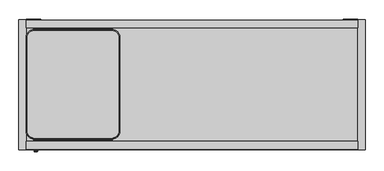
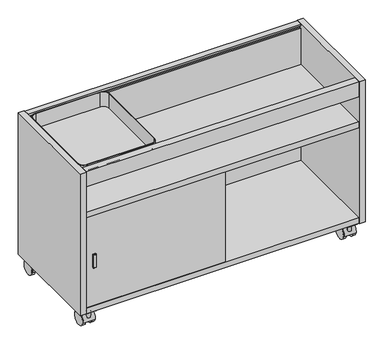
"""IFC4 building model written with IfcOpenShell, lengths in millimetres: furniture geometry."""

from ifc_helpers import new_model, si_unit, point, frame, frame_2d, origin, place, context, project, spatial, polyline, circle_curve, trimmed, segment, composite_curve, outline, extrude, source, transform, mapped, element, save
from ifc_brep_helpers import plane_surface, cylinder_surface, revolved_surface, spline_surface, advanced_brep


def furniture_2cf10aa2(model_context):
    return source(origin(), model_context, "Body", "SolidModel", [
        advanced_brep(
        [(40.7797005, -38.1442138, 490.3901787), (23.5585005, -55.3654138, 490.3901787), (23.5585005, -303.4726138, 490.3901787), (40.7797005, -320.6938138, 490.3901787), (40.7797005, -323.7241709, 490.3901787), (247.0023005, -323.7241709, 490.3901787), (247.0023005, -320.6938138, 490.3901787), (264.2235005, -303.4726138, 490.3901787), (264.2235005, -55.3654138, 490.3901787), (247.0023005, -38.1442138, 490.3901787), (247.0023005, -35.8405709, 490.3901787), (40.7797005, -35.8405709, 490.3901787), (40.7797005, -320.6938138, 489.6027787), (23.5585005, -303.4726138, 489.6027787), (23.5585005, -55.3654138, 489.6027787), (40.7797005, -38.1442138, 489.6027787), (40.7797005, -35.0531709, 489.6027787), (247.0023005, -35.0531709, 489.6027787), (247.0023005, -38.1442138, 489.6027787), (264.2235005, -55.3654138, 489.6027787), (264.2235005, -303.4726138, 489.6027787), (247.0023005, -320.6938138, 489.6027787), (247.0023005, -324.5115709, 489.6027787), (40.7797005, -324.5115709, 489.6027787), (247.0023005, -28.8509012, 532.5033787), (247.0023005, -32.1575709, 532.5033787), (247.0023005, -32.1575709, 531.7153825), (247.0023005, -29.6429709, 531.7153825), (247.0023005, -29.1349709, 531.2073825), (247.0023005, -29.1349709, 528.211375), (247.0023005, -29.6429709, 527.703375), (247.0023005, -32.0252443, 527.703375), (247.0023005, -32.9051262, 527.195375), (247.0023005, -35.8405709, 522.1110356), (247.0023005, -35.0531709, 521.9000524), (247.0023005, -32.1575709, 526.9153787), (247.0023005, -28.8555709, 526.9153787), (247.0023005, -28.3475709, 527.4233787), (247.0023005, -28.3475709, 532.0000483), (247.0023005, -323.7241709, 522.1110356), (247.0023005, -326.6596155, 527.195375), (247.0023005, -327.5394974, 527.703375), (247.0023005, -329.9217709, 527.703375), (247.0023005, -330.4297709, 528.211375), (247.0023005, -330.4297709, 531.2073825), (247.0023005, -329.9217709, 531.7153825), (247.0023005, -327.4071709, 531.7153825), (247.0023005, -327.4071709, 532.5033787), (247.0023005, -330.7138405, 532.5033787), (247.0023005, -331.2171709, 532.0000483), (247.0023005, -331.2171709, 527.4233787), (247.0023005, -330.7091709, 526.9153787), (247.0023005, -327.4071709, 526.9153787), (247.0023005, -324.5115709, 521.9000524), (40.7797005, -28.8509012, 532.5033787), (40.7797005, -28.3475709, 532.0000483), (40.7797005, -28.3475709, 527.4233787), (40.7797005, -28.8555709, 526.9153787), (40.7797005, -32.1575709, 526.9153787), (40.7797005, -35.0531709, 521.9000524), (40.7797005, -35.8405709, 522.1110356), (40.7797005, -32.9051262, 527.195375), (40.7797005, -32.0252443, 527.703375), (40.7797005, -29.6429709, 527.703375), (40.7797005, -29.1349709, 528.211375), (40.7797005, -29.1349709, 531.2073825), (40.7797005, -29.6429709, 531.7153825), (40.7797005, -32.1575709, 531.7153825), (40.7797005, -32.1575709, 532.5033787), (40.7797005, -324.5115709, 521.9000524), (40.7797005, -327.4071709, 526.9153787), (40.7797005, -330.7091709, 526.9153787), (40.7797005, -331.2171709, 527.4233787), (40.7797005, -331.2171709, 532.0000483), (40.7797005, -330.7138405, 532.5033787), (40.7797005, -327.4071709, 532.5033787), (40.7797005, -327.4071709, 531.7153825), (40.7797005, -329.9217709, 531.7153825), (40.7797005, -330.4297709, 531.2073825), (40.7797005, -330.4297709, 528.211375), (40.7797005, -329.9217709, 527.703375), (40.7797005, -327.5394974, 527.703375), (40.7797005, -326.6596155, 527.195375), (40.7797005, -323.7241709, 522.1110356)],
        [
            (0, 1, circle_curve(frame((40.7797005, -55.3654138, 490.3901787), z_axis=(0.0, 0.0, 1.0), x_axis=(1.0, 0.0, 0.0)), 17.2212)),
            (1, 2),
            (2, 3, circle_curve(frame((40.7797005, -303.4726138, 490.3901787), z_axis=(0.0, 0.0, 1.0), x_axis=(1.0, 0.0, 0.0)), 17.2212)),
            (3, 4),
            (4, 5),
            (5, 6),
            (6, 7, circle_curve(frame((247.0023005, -303.4726138, 490.3901787), z_axis=(0.0, 0.0, 1.0), x_axis=(1.0, 0.0, 0.0)), 17.2212)),
            (7, 8),
            (8, 9, circle_curve(frame((247.0023005, -55.3654138, 490.3901787), z_axis=(0.0, 0.0, 1.0), x_axis=(1.0, 0.0, 0.0)), 17.2212)),
            (9, 10),
            (10, 11),
            (11, 0),
            (12, 13, circle_curve(frame((40.7797005, -303.4726138, 489.6027787), z_axis=(0.0, 0.0, -1.0), x_axis=(1.0, 0.0, 0.0)), 17.2212)),
            (13, 14),
            (14, 15, circle_curve(frame((40.7797005, -55.3654138, 489.6027787), z_axis=(0.0, 0.0, -1.0), x_axis=(1.0, 0.0, 0.0)), 17.2212)),
            (15, 16),
            (16, 17),
            (17, 18),
            (18, 19, circle_curve(frame((247.0023005, -55.3654138, 489.6027787), z_axis=(0.0, 0.0, -1.0), x_axis=(1.0, 0.0, 0.0)), 17.2212)),
            (19, 20),
            (20, 21, circle_curve(frame((247.0023005, -303.4726138, 489.6027787), z_axis=(0.0, 0.0, -1.0), x_axis=(1.0, 0.0, 0.0)), 17.2212)),
            (21, 22),
            (22, 23),
            (23, 12),
            (0, 15),
            (14, 1),
            (13, 2),
            (12, 3),
            (6, 21),
            (20, 7),
            (19, 8),
            (18, 9),
            (24, 25),
            (25, 26),
            (26, 27),
            (27, 28, circle_curve(frame((247.0023005, -29.6429709, 531.2073825), z_axis=(-1.0, 0.0, 0.0), x_axis=(0.0, 1.0, 0.0)), 0.508)),
            (28, 29),
            (29, 30, circle_curve(frame((247.0023005, -29.6429709, 528.211375), z_axis=(-1.0, 0.0, 0.0), x_axis=(0.0, 1.0, 0.0)), 0.508)),
            (30, 31),
            (31, 32, circle_curve(frame((247.0023005, -32.0252443, 526.687375), z_axis=(1.0, 0.0, 0.0), x_axis=(0.0, 1.0, 0.0)), 1.016)),
            (32, 33),
            (33, 10),
            (17, 34),
            (34, 35),
            (35, 36),
            (36, 37, circle_curve(frame((247.0023005, -28.8555709, 527.4233787), z_axis=(1.0, 0.0, 0.0), x_axis=(0.0, 1.0, 0.0)), 0.508)),
            (37, 38),
            (38, 24, circle_curve(frame((247.0023005, -28.8509012, 532.0000483), z_axis=(1.0, 0.0, 0.0), x_axis=(0.0, 1.0, 0.0)), 0.5033304)),
            (5, 39),
            (39, 40),
            (40, 41, circle_curve(frame((247.0023005, -327.5394974, 526.687375), z_axis=(1.0, 0.0, 0.0), x_axis=(0.0, 1.0, 0.0)), 1.016)),
            (41, 42),
            (42, 43, circle_curve(frame((247.0023005, -329.9217709, 528.211375), z_axis=(-1.0, 0.0, 0.0), x_axis=(0.0, 1.0, 0.0)), 0.508)),
            (43, 44),
            (44, 45, circle_curve(frame((247.0023005, -329.9217709, 531.2073825), z_axis=(-1.0, 0.0, 0.0), x_axis=(0.0, 1.0, 0.0)), 0.508)),
            (45, 46),
            (46, 47),
            (47, 48),
            (48, 49, circle_curve(frame((247.0023005, -330.7138405, 532.0000483), z_axis=(1.0, 0.0, 0.0), x_axis=(0.0, 1.0, 0.0)), 0.5033304)),
            (49, 50),
            (50, 51, circle_curve(frame((247.0023005, -330.7091709, 527.4233787), z_axis=(1.0, 0.0, 0.0), x_axis=(0.0, 1.0, 0.0)), 0.508)),
            (51, 52),
            (52, 53),
            (53, 22),
            (54, 55, circle_curve(frame((40.7797005, -28.8509012, 532.0000483), z_axis=(-1.0, 0.0, 0.0), x_axis=(0.0, 1.0, 0.0)), 0.5033304)),
            (55, 56),
            (56, 57, circle_curve(frame((40.7797005, -28.8555709, 527.4233787), z_axis=(-1.0, 0.0, 0.0), x_axis=(0.0, 1.0, 0.0)), 0.508)),
            (57, 58),
            (58, 59),
            (59, 16),
            (11, 60),
            (60, 61),
            (61, 62, circle_curve(frame((40.7797005, -32.0252443, 526.687375), z_axis=(-1.0, 0.0, 0.0), x_axis=(0.0, 1.0, 0.0)), 1.016)),
            (62, 63),
            (63, 64, circle_curve(frame((40.7797005, -29.6429709, 528.211375), z_axis=(1.0, 0.0, 0.0), x_axis=(0.0, 1.0, 0.0)), 0.508)),
            (64, 65),
            (65, 66, circle_curve(frame((40.7797005, -29.6429709, 531.2073825), z_axis=(1.0, 0.0, 0.0), x_axis=(0.0, 1.0, 0.0)), 0.508)),
            (66, 67),
            (67, 68),
            (68, 54),
            (23, 69),
            (69, 70),
            (70, 71),
            (71, 72, circle_curve(frame((40.7797005, -330.7091709, 527.4233787), z_axis=(-1.0, 0.0, 0.0), x_axis=(0.0, 1.0, 0.0)), 0.508)),
            (72, 73),
            (73, 74, circle_curve(frame((40.7797005, -330.7138405, 532.0000483), z_axis=(-1.0, 0.0, 0.0), x_axis=(0.0, 1.0, 0.0)), 0.5033304)),
            (74, 75),
            (75, 76),
            (76, 77),
            (77, 78, circle_curve(frame((40.7797005, -329.9217709, 531.2073825), z_axis=(1.0, 0.0, 0.0), x_axis=(0.0, 1.0, 0.0)), 0.508)),
            (78, 79),
            (79, 80, circle_curve(frame((40.7797005, -329.9217709, 528.211375), z_axis=(1.0, 0.0, 0.0), x_axis=(0.0, 1.0, 0.0)), 0.508)),
            (80, 81),
            (81, 82, circle_curve(frame((40.7797005, -327.5394974, 526.687375), z_axis=(-1.0, 0.0, 0.0), x_axis=(0.0, 1.0, 0.0)), 1.016)),
            (82, 83),
            (83, 4),
            (24, 54),
            (68, 25),
            (67, 26),
            (66, 27),
            (65, 28),
            (64, 29),
            (63, 30),
            (62, 31),
            (61, 32),
            (60, 33),
            (83, 39),
            (82, 40),
            (81, 41),
            (80, 42),
            (79, 43),
            (78, 44),
            (77, 45),
            (76, 46),
            (75, 47),
            (74, 48),
            (73, 49),
            (72, 50),
            (71, 51),
            (70, 52),
            (69, 53),
            (59, 34),
            (58, 35),
            (57, 36),
            (56, 37),
            (55, 38),
        ],
        [
            plane_surface(frame((40.7797005, -38.1442138, 490.3901787), z_axis=(0.0, 0.0, 1.0), x_axis=(0.0, 1.0, 0.0))),
            plane_surface(frame((40.7797005, -38.1442138, 489.6027787), z_axis=(0.0, 0.0, -1.0), x_axis=(0.0, -1.0, 0.0))),
            cylinder_surface(frame((40.7797005, -55.3654138, 489.6027787), z_axis=(0.0, 0.0, 1.0), x_axis=(1.0, 0.0, 0.0)), 17.2212),
            plane_surface(frame((23.5585005, -55.3654138, 490.3901787), z_axis=(-1.0, 0.0, 0.0), x_axis=(0.0, 0.0, -1.0))),
            cylinder_surface(frame((40.7797005, -303.4726138, 489.6027787), z_axis=(0.0, 0.0, 1.0), x_axis=(1.0, 0.0, 0.0)), 17.2212),
            cylinder_surface(frame((247.0023005, -303.4726138, 489.6027787), z_axis=(0.0, 0.0, 1.0), x_axis=(1.0, 0.0, 0.0)), 17.2212),
            plane_surface(frame((264.2235005, -303.4726138, 490.3901787), z_axis=(1.0, 0.0, 0.0), x_axis=(0.0, 0.0, -1.0))),
            cylinder_surface(frame((247.0023005, -55.3654138, 489.6027787), z_axis=(0.0, 0.0, 1.0), x_axis=(1.0, 0.0, 0.0)), 17.2212),
            plane_surface(frame((247.0023005, -32.1575709, 532.5033787), z_axis=(1.0, 0.0, 0.0), x_axis=(0.0, -1.0, 0.0))),
            plane_surface(frame((40.7797005, -32.1575709, 532.5033787), z_axis=(-1.0, 0.0, 0.0), x_axis=(0.0, 1.0, 0.0))),
            plane_surface(frame((247.0023005, -28.8509012, 532.5033787), z_axis=(0.0, 0.0, 1.0), x_axis=(-1.0, 0.0, 0.0))),
            plane_surface(frame((247.0023005, -32.1575709, 532.5033787), z_axis=(0.0, -1.0, 0.0), x_axis=(-1.0, 0.0, 0.0))),
            plane_surface(frame((247.0023005, -32.1575709, 531.7153825), z_axis=(0.0, 0.0, -1.0), x_axis=(-1.0, 0.0, 0.0))),
            revolved_surface(polyline([(40.7797005, -29.134970900000003, 531.2073825), (247.0023005, -29.134970900000003, 531.2073825)]), (40.7797005, -29.6429709, 531.2073825), (-1.0, 0.0, 0.0)),
            plane_surface(frame((247.0023005, -29.1349709, 531.2073825), z_axis=(0.0, -1.0, 0.0), x_axis=(-1.0, 0.0, 0.0))),
            revolved_surface(polyline([(40.7797005, -29.134970900000003, 528.211375), (247.0023005, -29.134970900000003, 528.211375)]), (40.7797005, -29.6429709, 528.211375), (-1.0, 0.0, 0.0)),
            plane_surface(frame((247.0023005, -29.6429709, 527.703375), z_axis=(0.0, 0.0, 1.0), x_axis=(-1.0, 0.0, 0.0))),
            cylinder_surface(frame((40.7797005, -32.0252443, 526.687375), z_axis=(1.0, 0.0, 0.0), x_axis=(0.0, 1.0, 0.0)), 1.016),
            plane_surface(frame((247.0023005, -32.9051262, 527.195375), z_axis=(0.0, -0.8660254037844366, 0.5000000000000036), x_axis=(-1.0, 0.0, 0.0))),
            plane_surface(frame((247.0023005, -35.8405709, 522.1110356), z_axis=(0.0, -1.0, 0.0), x_axis=(-1.0, 0.0, 0.0))),
            plane_surface(frame((247.0023005, -323.7241709, 490.3901787), z_axis=(0.0, 1.0, 0.0), x_axis=(-1.0, 0.0, 0.0))),
            plane_surface(frame((247.0023005, -323.7241709, 522.1110356), z_axis=(0.0, 0.8660254037916251, 0.4999999999875528), x_axis=(-1.0, 0.0, 0.0))),
            cylinder_surface(frame((40.7797005, -327.5394974, 526.687375), z_axis=(1.0, 0.0, 0.0), x_axis=(0.0, 1.0, 0.0)), 1.016),
            plane_surface(frame((247.0023005, -327.5394974, 527.703375), z_axis=(0.0, 0.0, 1.0), x_axis=(-1.0, 0.0, 0.0))),
            revolved_surface(polyline([(40.7797005, -329.41377090000003, 528.211375), (247.0023005, -329.41377090000003, 528.211375)]), (40.7797005, -329.9217709, 528.211375), (-1.0, 0.0, 0.0)),
            plane_surface(frame((247.0023005, -330.4297709, 528.211375), z_axis=(0.0, 1.0, 0.0), x_axis=(-1.0, 0.0, 0.0))),
            revolved_surface(polyline([(40.7797005, -329.41377090000003, 531.2073825), (247.0023005, -329.41377090000003, 531.2073825)]), (40.7797005, -329.9217709, 531.2073825), (-1.0, 0.0, 0.0)),
            plane_surface(frame((247.0023005, -329.9217709, 531.7153825), z_axis=(0.0, 0.0, -1.0), x_axis=(-1.0, 0.0, 0.0))),
            plane_surface(frame((247.0023005, -327.4071709, 531.7153825), z_axis=(0.0, 1.0, 0.0), x_axis=(-1.0, 0.0, 0.0))),
            plane_surface(frame((247.0023005, -327.4071709, 532.5033787), z_axis=(0.0, 0.0, 1.0), x_axis=(-1.0, 0.0, 0.0))),
            cylinder_surface(frame((40.7797005, -330.7138405, 532.0000483), z_axis=(1.0, 0.0, 0.0), x_axis=(0.0, 1.0, 0.0)), 0.5033304),
            plane_surface(frame((247.0023005, -331.2171709, 532.0000483), z_axis=(0.0, -1.0, 0.0), x_axis=(-1.0, 0.0, 0.0))),
            cylinder_surface(frame((40.7797005, -330.7091709, 527.4233787), z_axis=(1.0, 0.0, 0.0), x_axis=(0.0, 1.0, 0.0)), 0.508),
            plane_surface(frame((247.0023005, -330.7091709, 526.9153787), z_axis=(0.0, 0.0, -1.0), x_axis=(-1.0, 0.0, 0.0))),
            plane_surface(frame((247.0023005, -327.4071709, 526.9153787), z_axis=(0.0, -0.8660254037844387, -0.49999999999999983), x_axis=(-1.0, 0.0, 0.0))),
            plane_surface(frame((247.0023005, -324.5115709, 521.9000524), z_axis=(0.0, -1.0, 0.0), x_axis=(-1.0, 0.0, 0.0))),
            plane_surface(frame((247.0023005, -35.0531709, 489.6027787), z_axis=(0.0, 1.0, 0.0), x_axis=(-1.0, 0.0, 0.0))),
            plane_surface(frame((247.0023005, -35.0531709, 521.9000524), z_axis=(0.0, 0.8660254037844357, -0.5000000000000052), x_axis=(-1.0, 0.0, 0.0))),
            plane_surface(frame((247.0023005, -32.1575709, 526.9153787), z_axis=(0.0, 0.0, -1.0), x_axis=(-1.0, 0.0, 0.0))),
            cylinder_surface(frame((40.7797005, -28.8555709, 527.4233787), z_axis=(1.0, 0.0, 0.0), x_axis=(0.0, 1.0, 0.0)), 0.508),
            plane_surface(frame((247.0023005, -28.3475709, 527.4233787), z_axis=(0.0, 1.0, 0.0), x_axis=(-1.0, 0.0, 0.0))),
            cylinder_surface(frame((40.7797005, -28.8509012, 532.0000483), z_axis=(1.0, 0.0, 0.0), x_axis=(0.0, 1.0, 0.0)), 0.5033304),
        ],
        [
            (0, [[1, 2, 3, 4, 5, 6, 7, 8, 9, 10, 11, 12]]),
            (1, [[13, 14, 15, 16, 17, 18, 19, 20, 21, 22, 23, 24]]),
            (2, [[-1, 25, -15, 26]]),
            (3, [[-2, -26, -14, 27]]),
            (4, [[-3, -27, -13, 28]]),
            (5, [[-7, 29, -21, 30]]),
            (6, [[-8, -30, -20, 31]]),
            (7, [[-9, -31, -19, 32]]),
            (8, [[33, 34, 35, 36, 37, 38, 39, 40, 41, 42, -10, -32, -18, 43, 44, 45, 46, 47, 48]]),
            (8, [[49, 50, 51, 52, 53, 54, 55, 56, 57, 58, 59, 60, 61, 62, 63, 64, -22, -29, -6]]),
            (9, [[65, 66, 67, 68, 69, 70, -16, -25, -12, 71, 72, 73, 74, 75, 76, 77, 78, 79, 80]]),
            (9, [[81, 82, 83, 84, 85, 86, 87, 88, 89, 90, 91, 92, 93, 94, 95, 96, -4, -28, -24]]),
            (10, [[-33, 97, -80, 98]]),
            (11, [[-34, -98, -79, 99]]),
            (12, [[-35, -99, -78, 100]]),
            (13, [[-36, -100, -77, 101]]),
            (14, [[-37, -101, -76, 102]]),
            (15, [[-38, -102, -75, 103]]),
            (16, [[-39, -103, -74, 104]]),
            (17, [[-40, -104, -73, 105]]),
            (18, [[-41, -105, -72, 106]]),
            (19, [[-42, -106, -71, -11]]),
            (20, [[-49, -5, -96, 107]]),
            (21, [[-50, -107, -95, 108]]),
            (22, [[-51, -108, -94, 109]]),
            (23, [[-52, -109, -93, 110]]),
            (24, [[-53, -110, -92, 111]]),
            (25, [[-54, -111, -91, 112]]),
            (26, [[-55, -112, -90, 113]]),
            (27, [[-56, -113, -89, 114]]),
            (28, [[-57, -114, -88, 115]]),
            (29, [[-58, -115, -87, 116]]),
            (30, [[-59, -116, -86, 117]]),
            (31, [[-60, -117, -85, 118]]),
            (32, [[-61, -118, -84, 119]]),
            (33, [[-62, -119, -83, 120]]),
            (34, [[-63, -120, -82, 121]]),
            (35, [[-64, -121, -81, -23]]),
            (36, [[-43, -17, -70, 122]]),
            (37, [[-44, -122, -69, 123]]),
            (38, [[-45, -123, -68, 124]]),
            (39, [[-46, -124, -67, 125]]),
            (40, [[-47, -125, -66, 126]]),
            (41, [[-48, -126, -65, -97]]),
        ],
    ),
        extrude(outline(composite_curve([segment(trimmed(circle_curve(frame_2d((247.0023005, -55.7287709)), 19.8882), [point((247.0023005, -35.8405709))], [point((266.8905005, -55.7287709))], False, "CARTESIAN"), True, "CONTINUOUS"), segment(polyline([(266.8905005, -55.7287709), (266.8905005, -303.8359709)]), True, "CONTINUOUS"), segment(trimmed(circle_curve(frame_2d((247.0023005, -303.8359709)), 19.8882), [point((266.8905005, -303.8359709))], [point((247.0023005, -323.7241709))], False, "CARTESIAN"), True, "CONTINUOUS"), segment(polyline([(247.0023005, -323.7241709), (40.7797005, -323.7241709)]), True, "CONTINUOUS"), segment(trimmed(circle_curve(frame_2d((40.7797005, -303.8359709)), 19.8882), [point((40.7797005, -323.7241709))], [point((20.8915005, -303.8359709))], False, "CARTESIAN"), True, "CONTINUOUS"), segment(polyline([(20.8915005, -303.8359709), (20.8915005, -55.7287709)]), True, "CONTINUOUS"), segment(trimmed(circle_curve(frame_2d((40.7797005, -55.7287709)), 19.8882), [point((20.8915005, -55.7287709))], [point((40.7797005, -35.8405709))], False, "CARTESIAN"), True, "CONTINUOUS"), segment(polyline([(40.7797005, -35.8405709), (247.0023005, -35.8405709)]), True, "CONTINUOUS")], self_intersect=False), holes=[composite_curve([segment(polyline([(247.0023005, -38.5075709), (40.7797005, -38.5075709)]), True, "CONTINUOUS"), segment(trimmed(circle_curve(frame_2d((40.7797005, -55.7287709)), 17.2212), [point((40.7797005, -38.5075709))], [point((23.5585005, -55.7287709))], True, "CARTESIAN"), True, "CONTINUOUS"), segment(polyline([(23.5585005, -55.7287709), (23.5585005, -303.8359709)]), True, "CONTINUOUS"), segment(trimmed(circle_curve(frame_2d((40.7797005, -303.8359709)), 17.2212), [point((23.5585005, -303.8359709))], [point((40.7797005, -321.0571709))], True, "CARTESIAN"), True, "CONTINUOUS"), segment(polyline([(40.7797005, -321.0571709), (247.0023005, -321.0571709)]), True, "CONTINUOUS"), segment(trimmed(circle_curve(frame_2d((247.0023005, -303.8359709)), 17.2212), [point((247.0023005, -321.0571709))], [point((264.2235005, -303.8359709))], True, "CARTESIAN"), True, "CONTINUOUS"), segment(polyline([(264.2235005, -303.8359709), (264.2235005, -55.7287709)]), True, "CONTINUOUS"), segment(trimmed(circle_curve(frame_2d((247.0023005, -55.7287709)), 17.2212), [point((264.2235005, -55.7287709))], [point((247.0023005, -38.5075709))], True, "CARTESIAN"), True, "CONTINUOUS")], self_intersect=False)]), frame((0.0, 0.0, 490.3901787), z_axis=(0.0, 0.0, 1.0), x_axis=(1.0, 0.0, 0.0)), (0.0, 0.0, 1.0), 49.0982),
        advanced_brep(
        [(43.33875, -357.3918728, 253.4018294), (42.32275, -357.3918728, 252.3858294), (42.32275, -357.3918728, 211.5553294), (43.33875, -357.3918728, 210.5393294), (49.24425, -357.3918728, 210.5393294), (50.26025, -357.3918728, 211.5553294), (50.26025, -357.3918728, 252.3858294), (49.24425, -357.3918728, 253.4018294), (41.529, -355.7348368, 254.1955794), (51.054, -355.7348368, 254.1955794), (51.054, -355.7348368, 209.7455794), (41.529, -355.7348368, 209.7455794)],
        [
            (0, 1, circle_curve(frame((43.33875, -357.3918728, 252.3858294), z_axis=(0.0, -1.0, 0.0), x_axis=(0.0, 0.0, 1.0)), 1.016)),
            (1, 2),
            (2, 3, circle_curve(frame((43.33875, -357.3918728, 211.5553294), z_axis=(0.0, -1.0, 0.0), x_axis=(0.0, 0.0, 1.0)), 1.016)),
            (3, 4),
            (4, 5, circle_curve(frame((49.24425, -357.3918728, 211.5553294), z_axis=(0.0, -1.0, 0.0), x_axis=(0.0, 0.0, 1.0)), 1.016)),
            (5, 6),
            (6, 7, circle_curve(frame((49.24425, -357.3918728, 252.3858294), z_axis=(0.0, -1.0, 0.0), x_axis=(0.0, 0.0, 1.0)), 1.016)),
            (7, 0),
            (8, 9),
            (9, 10),
            (10, 11),
            (11, 8),
            (0, 8),
            (8, 1),
            (11, 2),
            (11, 3),
            (10, 4),
            (10, 5),
            (9, 6),
            (9, 7),
        ],
        [
            plane_surface(frame((46.2915, -357.3918728, 231.9705794), z_axis=(0.0, -1.0, 0.0), x_axis=(0.0, 0.0, -1.0))),
            plane_surface(frame((46.2915, -355.7348368, 231.9705794), z_axis=(0.0, 1.0, 0.0), x_axis=(0.0, 0.0, -1.0))),
            spline_surface(2, 1, [[(41.529, -355.7348368, 254.1955794), (43.33875, -357.3918728, 253.4018294)], [(41.529, -355.7348368, 254.1955794), (42.322750000000006, -357.3918728, 253.4018294)], [(41.529, -355.7348368, 254.1955794), (42.32275, -357.3918728, 252.3858294)]], [3, 3], [2, 2], [0.0, 1.0], [0.0, 1.0], weights=[[1.0, 1.0], [0.7071067811865499, 0.7071067811865499], [1.0, 1.0]]),
            plane_surface(frame((41.529, -355.7348368, 231.9705794), z_axis=(-0.9018682850478429, -0.43201110683044125, 0.0), x_axis=(0.0, 0.0, -1.0))),
            spline_surface(2, 1, [[(41.529, -355.7348368, 209.7455794), (42.32275, -357.3918728, 211.5553294)], [(41.529, -355.7348368, 209.7455794), (42.32274999999999, -357.3918728, 210.5393294)], [(41.529, -355.7348368, 209.7455794), (43.33875, -357.3918728, 210.5393294)]], [3, 3], [2, 2], [0.0, 1.0], [0.0, 1.0], weights=[[1.0, 1.0], [0.707106781186545, 0.707106781186545], [1.0, 1.0]]),
            plane_surface(frame((46.2915, -355.7348368, 209.7455794), z_axis=(0.0, -0.4320111068302781, -0.901868285047921), x_axis=(1.0, 0.0, 0.0))),
            spline_surface(2, 1, [[(51.054, -355.7348368, 209.7455794), (49.24425, -357.3918728, 210.5393294)], [(51.054, -355.7348368, 209.7455794), (50.26024999999999, -357.3918728, 210.5393294)], [(51.054, -355.7348368, 209.7455794), (50.26025, -357.3918728, 211.5553294)]], [3, 3], [2, 2], [0.0, 1.0], [0.0, 1.0], weights=[[1.0, 1.0], [0.7071067811865499, 0.7071067811865499], [1.0, 1.0]]),
            plane_surface(frame((51.054, -355.7348368, 231.9705794), z_axis=(0.9018682850446057, -0.4320111068371991, 0.0), x_axis=(0.0, 0.0, 1.0))),
            spline_surface(2, 1, [[(51.054, -355.7348368, 254.1955794), (50.26025, -357.3918728, 252.3858294)], [(51.054, -355.7348368, 254.1955794), (50.260250000000006, -357.3918728, 253.4018294)], [(51.054, -355.7348368, 254.1955794), (49.24425, -357.3918728, 253.4018294)]], [3, 3], [2, 2], [0.0, 1.0], [0.0, 1.0], weights=[[1.0, 1.0], [0.707106781186545, 0.707106781186545], [1.0, 1.0]]),
            plane_surface(frame((46.2915, -355.7348368, 254.1955794), z_axis=(0.0, -0.4320111068302707, 0.9018682850479246), x_axis=(-1.0, 0.0, 0.0))),
        ],
        [
            (0, [[1, 2, 3, 4, 5, 6, 7, 8]]),
            (1, [[9, 10, 11, 12]]),
            (2, [[-1, 13, 14]]),
            (3, [[-12, 15, -2, -14]]),
            (4, [[-3, -15, 16]]),
            (5, [[-11, 17, -4, -16]]),
            (6, [[-5, -17, 18]]),
            (7, [[-10, 19, -6, -18]]),
            (8, [[-7, -19, 20]]),
            (9, [[-9, -13, -8, -20]]),
        ],
    ),
        extrude(outline(polyline([(41.529, -351.0418728), (51.054, -351.0418728), (51.054, -355.7348368), (41.529, -355.7348368), (41.529, -351.0418728)])), frame((0.0, 0.0, 209.7455794), z_axis=(0.0, 0.0, 1.0), x_axis=(1.0, 0.0, 0.0)), (0.0, 0.0, 1.0), 44.45),
        extrude(outline(composite_curve([segment(trimmed(circle_curve(frame_2d((39.886257, -330.7848985)), 2.8952236), [point((36.9910335, -330.7848985))], [point((42.7814806, -330.7848985))], False, "CARTESIAN"), True, "CONTINUOUS"), segment(trimmed(circle_curve(frame_2d((39.886257, -330.7848985)), 2.8952236), [point((42.7814806, -330.7848985))], [point((36.9910335, -330.7848985))], False, "CARTESIAN"), True, "CONTINUOUS")], self_intersect=False)), frame((0.0, 0.0, 47.4178766), z_axis=(0.0, 0.0, 1.0), x_axis=(1.0, 0.0, 0.0)), (0.0, 0.0, 1.0), 2.54),
        extrude(outline(composite_curve([segment(trimmed(circle_curve(frame_2d((39.886257, -331.0501608)), 7.4123574), [point((32.4738996, -331.0501608))], [point((47.2986144, -331.0501608))], False, "CARTESIAN"), True, "CONTINUOUS"), segment(trimmed(circle_curve(frame_2d((39.886257, -331.0501608)), 7.4123574), [point((47.2986144, -331.0501608))], [point((32.4738996, -331.0501608))], False, "CARTESIAN"), True, "CONTINUOUS")], self_intersect=False)), frame((0.0, 0.0, 49.9578766), z_axis=(0.0, 0.0, 1.0), x_axis=(1.0, 0.0, 0.0)), (0.0, 0.0, 1.0), 4.7226624),
        advanced_brep(
        [(31.7118996, -331.0501608, 54.680539), (48.0606144, -331.0501608, 54.680539), (27.186257, -331.0501608, 58.3692), (52.586257, -331.0501608, 58.3692)],
        [
            (0, 1, circle_curve(frame((39.886257, -331.0501608, 54.680539), z_axis=(0.0, 0.0, -1.0), x_axis=(-1.0, 0.0, 0.0)), 8.1743574)),
            (1, 0, circle_curve(frame((39.886257, -331.0501608, 54.680539), z_axis=(0.0, 0.0, -1.0), x_axis=(1.0, 0.0, 0.0)), 8.1743574)),
            (2, 3, circle_curve(frame((39.886257, -331.0501608, 58.3692), z_axis=(0.0, 0.0, 1.0), x_axis=(1.0, 0.0, 0.0)), 12.7)),
            (3, 2, circle_curve(frame((39.886257, -331.0501608, 58.3692), z_axis=(0.0, 0.0, 1.0), x_axis=(-1.0, 0.0, 0.0)), 12.7)),
            (2, 0),
            (1, 3),
        ],
        [
            plane_surface(frame((39.886257, -331.0501608, 54.680539), z_axis=(0.0, 0.0, -1.0), x_axis=(0.0, -1.0, 0.0))),
            plane_surface(frame((39.886257, -331.0501608, 58.3692), z_axis=(0.0, 0.0, 1.0), x_axis=(0.0, -1.0, 0.0))),
            revolved_surface(polyline([(48.06061439075025, -331.0501608, 54.680539), (52.586257, -331.0501608, 58.3692)]), (39.886257, -331.0501608, 48.017964), (0.0, 0.0, 1.0)),
            revolved_surface(polyline([(31.711899609249752, -331.0501608, 54.680539), (27.186257, -331.0501608, 58.3692)]), (39.886257, -331.0501608, 48.017964), (0.0, 0.0, 1.0)),
        ],
        [
            (0, [[1, 2]]),
            (1, [[3, 4]]),
            (2, [[-3, 5, -2, 6]]),
            (3, [[-4, -6, -1, -5]]),
        ],
    ),
        extrude(outline(composite_curve([segment(trimmed(circle_curve(frame_2d((39.886257, -330.81961)), 6.0714648), [point((33.8147922, -330.81961))], [point((45.9577219, -330.81961))], False, "CARTESIAN"), True, "CONTINUOUS"), segment(trimmed(circle_curve(frame_2d((39.886257, -330.81961)), 6.0714648), [point((45.9577219, -330.81961))], [point((33.8147922, -330.81961))], False, "CARTESIAN"), True, "CONTINUOUS")], self_intersect=False)), frame((0.0, 0.0, 31.6701308), z_axis=(0.0, 0.0, 1.0), x_axis=(1.0, 0.0, 0.0)), (0.0, 0.0, 1.0), 15.7477457),
        extrude(outline(composite_curve([segment(polyline([(-288.5508871, 18.6856043), (-289.5452644, 18.6856043)]), True, "CONTINUOUS"), segment(trimmed(circle_curve(frame_2d((-312.1544713, 22.0624907)), 22.86), [point((-289.5452644, 18.6856043))], [point((-334.7636783, 18.6856043))], True, "CARTESIAN"), True, "CONTINUOUS"), segment(polyline([(-334.7636783, 18.6856043), (-335.7567732, 18.6856043)]), True, "CONTINUOUS"), segment(trimmed(circle_curve(frame_2d((-312.1538301, 22.0624907)), 23.8432859), [point((-335.7567732, 18.6856043))], [point((-288.5508871, 18.6856043))], False, "CARTESIAN"), True, "CONTINUOUS")], self_intersect=False)), frame((20.8915, 0.0, 0.0), z_axis=(1.0, 0.0, 0.0), x_axis=(0.0, 1.0, 0.0)), (0.0, 0.0, 1.0), 37.9984),
        extrude(outline(composite_curve([segment(trimmed(circle_curve(frame_2d((-312.1544713, 21.9964)), 21.9964), [point((-290.1580713, 21.9964))], [point((-334.1508713, 21.9964))], False, "CARTESIAN"), True, "CONTINUOUS"), segment(trimmed(circle_curve(frame_2d((-312.1544713, 21.9964)), 21.9964), [point((-334.1508713, 21.9964))], [point((-290.1580713, 21.9964))], False, "CARTESIAN"), True, "CONTINUOUS")], self_intersect=False)), frame((19.782157, 0.0, 0.0), z_axis=(1.0, 0.0, 0.0), x_axis=(0.0, 1.0, 0.0)), (0.0, 0.0, 1.0), 10.16),
        extrude(outline(composite_curve([segment(trimmed(circle_curve(frame_2d((-312.1544713, 21.9964)), 21.9964), [point((-290.1580713, 21.9964))], [point((-334.1508713, 21.9964))], False, "CARTESIAN"), True, "CONTINUOUS"), segment(trimmed(circle_curve(frame_2d((-312.1544713, 21.9964)), 21.9964), [point((-334.1508713, 21.9964))], [point((-290.1580713, 21.9964))], False, "CARTESIAN"), True, "CONTINUOUS")], self_intersect=False)), frame((49.830357, 0.0, 0.0), z_axis=(1.0, 0.0, 0.0), x_axis=(0.0, 1.0, 0.0)), (0.0, 0.0, 1.0), 10.16),
        extrude(outline(composite_curve([segment(trimmed(circle_curve(frame_2d((53.8861, -317.1582713)), 5.0038), [point((53.8861, -312.1544713))], [point((58.8899, -317.1582713))], False, "CARTESIAN"), True, "CONTINUOUS"), segment(polyline([(58.8899, -317.1582713), (58.8899, -345.1490713)]), True, "CONTINUOUS"), segment(trimmed(circle_curve(frame_2d((53.8861, -345.1490713)), 5.0038), [point((58.8899, -345.1490713))], [point((53.8861, -350.1528713))], False, "CARTESIAN"), True, "CONTINUOUS"), segment(polyline([(53.8861, -350.1528713), (25.8953, -350.1528713)]), True, "CONTINUOUS"), segment(trimmed(circle_curve(frame_2d((25.8953, -345.1490713)), 5.0038), [point((25.8953, -350.1528713))], [point((20.8915, -345.1490713))], False, "CARTESIAN"), True, "CONTINUOUS"), segment(polyline([(20.8915, -345.1490713), (20.8915, -317.1582713)]), True, "CONTINUOUS"), segment(trimmed(circle_curve(frame_2d((25.8953, -317.1582713)), 5.0038), [point((20.8915, -317.1582713))], [point((25.8953, -312.1544713))], False, "CARTESIAN"), True, "CONTINUOUS"), segment(polyline([(25.8953, -312.1544713), (53.8861, -312.1544713)]), True, "CONTINUOUS")], self_intersect=False)), frame((0.0, 0.0, 58.3692), z_axis=(0.0, 0.0, 1.0), x_axis=(1.0, 0.0, 0.0)), (0.0, 0.0, 1.0), 1.89738),
        extrude(outline(composite_curve([segment(trimmed(circle_curve(frame_2d((39.886257, -50.0132985)), 2.8952236), [point((36.9910335, -50.0132985))], [point((42.7814806, -50.0132985))], False, "CARTESIAN"), True, "CONTINUOUS"), segment(trimmed(circle_curve(frame_2d((39.886257, -50.0132985)), 2.8952236), [point((42.7814806, -50.0132985))], [point((36.9910335, -50.0132985))], False, "CARTESIAN"), True, "CONTINUOUS")], self_intersect=False)), frame((0.0, 0.0, 47.4178766), z_axis=(0.0, 0.0, 1.0), x_axis=(1.0, 0.0, 0.0)), (0.0, 0.0, 1.0), 2.54),
        extrude(outline(composite_curve([segment(trimmed(circle_curve(frame_2d((39.886257, -50.2785608)), 7.4123574), [point((32.4738996, -50.2785608))], [point((47.2986144, -50.2785608))], False, "CARTESIAN"), True, "CONTINUOUS"), segment(trimmed(circle_curve(frame_2d((39.886257, -50.2785608)), 7.4123574), [point((47.2986144, -50.2785608))], [point((32.4738996, -50.2785608))], False, "CARTESIAN"), True, "CONTINUOUS")], self_intersect=False)), frame((0.0, 0.0, 49.9578766), z_axis=(0.0, 0.0, 1.0), x_axis=(1.0, 0.0, 0.0)), (0.0, 0.0, 1.0), 4.7226624),
        advanced_brep(
        [(31.7118996, -50.2785608, 54.680539), (48.0606144, -50.2785608, 54.680539), (27.186257, -50.2785608, 58.3692), (52.586257, -50.2785608, 58.3692)],
        [
            (0, 1, circle_curve(frame((39.886257, -50.2785608, 54.680539), z_axis=(0.0, 0.0, -1.0), x_axis=(-1.0, 0.0, 0.0)), 8.1743574)),
            (1, 0, circle_curve(frame((39.886257, -50.2785608, 54.680539), z_axis=(0.0, 0.0, -1.0), x_axis=(1.0, 0.0, 0.0)), 8.1743574)),
            (2, 3, circle_curve(frame((39.886257, -50.2785608, 58.3692), z_axis=(0.0, 0.0, 1.0), x_axis=(1.0, 0.0, 0.0)), 12.7)),
            (3, 2, circle_curve(frame((39.886257, -50.2785608, 58.3692), z_axis=(0.0, 0.0, 1.0), x_axis=(-1.0, 0.0, 0.0)), 12.7)),
            (2, 0),
            (1, 3),
        ],
        [
            plane_surface(frame((39.886257, -50.2785608, 54.680539), z_axis=(0.0, 0.0, -1.0), x_axis=(0.0, -1.0, 0.0))),
            plane_surface(frame((39.886257, -50.2785608, 58.3692), z_axis=(0.0, 0.0, 1.0), x_axis=(0.0, -1.0, 0.0))),
            revolved_surface(polyline([(48.06061439075025, -50.2785608, 54.680539), (52.586257, -50.2785608, 58.3692)]), (39.886257, -50.2785608, 48.017964), (0.0, 0.0, 1.0)),
            revolved_surface(polyline([(31.711899609249752, -50.2785608, 54.680539), (27.186257, -50.2785608, 58.3692)]), (39.886257, -50.2785608, 48.017964), (0.0, 0.0, 1.0)),
        ],
        [
            (0, [[1, 2]]),
            (1, [[3, 4]]),
            (2, [[-3, 5, -2, 6]]),
            (3, [[-4, -6, -1, -5]]),
        ],
    ),
        extrude(outline(composite_curve([segment(trimmed(circle_curve(frame_2d((39.886257, -50.04801)), 6.0714648), [point((33.8147922, -50.04801))], [point((45.9577219, -50.04801))], False, "CARTESIAN"), True, "CONTINUOUS"), segment(trimmed(circle_curve(frame_2d((39.886257, -50.04801)), 6.0714648), [point((45.9577219, -50.04801))], [point((33.8147922, -50.04801))], False, "CARTESIAN"), True, "CONTINUOUS")], self_intersect=False)), frame((0.0, 0.0, 31.6701308), z_axis=(0.0, 0.0, 1.0), x_axis=(1.0, 0.0, 0.0)), (0.0, 0.0, 1.0), 15.7477457),
        extrude(outline(composite_curve([segment(polyline([(-7.7792871, 18.6856043), (-8.7736644, 18.6856043)]), True, "CONTINUOUS"), segment(trimmed(circle_curve(frame_2d((-31.3828713, 22.0624907)), 22.86), [point((-8.7736644, 18.6856043))], [point((-53.9920783, 18.6856043))], True, "CARTESIAN"), True, "CONTINUOUS"), segment(polyline([(-53.9920783, 18.6856043), (-54.9851732, 18.6856043)]), True, "CONTINUOUS"), segment(trimmed(circle_curve(frame_2d((-31.3822301, 22.0624907)), 23.8432859), [point((-54.9851732, 18.6856043))], [point((-7.7792871, 18.6856043))], False, "CARTESIAN"), True, "CONTINUOUS")], self_intersect=False)), frame((20.8915, 0.0, 0.0), z_axis=(1.0, 0.0, 0.0), x_axis=(0.0, 1.0, 0.0)), (0.0, 0.0, 1.0), 37.9984),
        extrude(outline(composite_curve([segment(trimmed(circle_curve(frame_2d((-31.3828713, 21.9964)), 21.9964), [point((-9.3864713, 21.9964))], [point((-53.3792713, 21.9964))], False, "CARTESIAN"), True, "CONTINUOUS"), segment(trimmed(circle_curve(frame_2d((-31.3828713, 21.9964)), 21.9964), [point((-53.3792713, 21.9964))], [point((-9.3864713, 21.9964))], False, "CARTESIAN"), True, "CONTINUOUS")], self_intersect=False)), frame((19.782157, 0.0, 0.0), z_axis=(1.0, 0.0, 0.0), x_axis=(0.0, 1.0, 0.0)), (0.0, 0.0, 1.0), 10.16),
        extrude(outline(composite_curve([segment(trimmed(circle_curve(frame_2d((-31.3828713, 21.9964)), 21.9964), [point((-9.3864713, 21.9964))], [point((-53.3792713, 21.9964))], False, "CARTESIAN"), True, "CONTINUOUS"), segment(trimmed(circle_curve(frame_2d((-31.3828713, 21.9964)), 21.9964), [point((-53.3792713, 21.9964))], [point((-9.3864713, 21.9964))], False, "CARTESIAN"), True, "CONTINUOUS")], self_intersect=False)), frame((49.830357, 0.0, 0.0), z_axis=(1.0, 0.0, 0.0), x_axis=(0.0, 1.0, 0.0)), (0.0, 0.0, 1.0), 10.16),
        extrude(outline(composite_curve([segment(trimmed(circle_curve(frame_2d((53.8861, -36.3866713)), 5.0038), [point((53.8861, -31.3828713))], [point((58.8899, -36.3866713))], False, "CARTESIAN"), True, "CONTINUOUS"), segment(polyline([(58.8899, -36.3866713), (58.8899, -64.3774713)]), True, "CONTINUOUS"), segment(trimmed(circle_curve(frame_2d((53.8861, -64.3774713)), 5.0038), [point((58.8899, -64.3774713))], [point((53.8861, -69.3812713))], False, "CARTESIAN"), True, "CONTINUOUS"), segment(polyline([(53.8861, -69.3812713), (25.8953, -69.3812713)]), True, "CONTINUOUS"), segment(trimmed(circle_curve(frame_2d((25.8953, -64.3774713)), 5.0038), [point((25.8953, -69.3812713))], [point((20.8915, -64.3774713))], False, "CARTESIAN"), True, "CONTINUOUS"), segment(polyline([(20.8915, -64.3774713), (20.8915, -36.3866713)]), True, "CONTINUOUS"), segment(trimmed(circle_curve(frame_2d((25.8953, -36.3866713)), 5.0038), [point((20.8915, -36.3866713))], [point((25.8953, -31.3828713))], False, "CARTESIAN"), True, "CONTINUOUS"), segment(polyline([(25.8953, -31.3828713), (53.8861, -31.3828713)]), True, "CONTINUOUS")], self_intersect=False)), frame((0.0, 0.0, 58.3692), z_axis=(0.0, 0.0, 1.0), x_axis=(1.0, 0.0, 0.0)), (0.0, 0.0, 1.0), 1.89738),
        extrude(outline(composite_curve([segment(trimmed(circle_curve(frame_2d((874.5048724, -330.7848985)), 2.8952236), [point((871.6096488, -330.7848985))], [point((877.400096, -330.7848985))], False, "CARTESIAN"), True, "CONTINUOUS"), segment(trimmed(circle_curve(frame_2d((874.5048724, -330.7848985)), 2.8952236), [point((877.400096, -330.7848985))], [point((871.6096488, -330.7848985))], False, "CARTESIAN"), True, "CONTINUOUS")], self_intersect=False)), frame((0.0, 0.0, 47.4178766), z_axis=(0.0, 0.0, 1.0), x_axis=(1.0, 0.0, 0.0)), (0.0, 0.0, 1.0), 2.54),
        extrude(outline(composite_curve([segment(trimmed(circle_curve(frame_2d((874.5048724, -331.0501608)), 7.4123574), [point((867.092515, -331.0501608))], [point((881.9172298, -331.0501608))], False, "CARTESIAN"), True, "CONTINUOUS"), segment(trimmed(circle_curve(frame_2d((874.5048724, -331.0501608)), 7.4123574), [point((881.9172298, -331.0501608))], [point((867.092515, -331.0501608))], False, "CARTESIAN"), True, "CONTINUOUS")], self_intersect=False)), frame((0.0, 0.0, 49.9578766), z_axis=(0.0, 0.0, 1.0), x_axis=(1.0, 0.0, 0.0)), (0.0, 0.0, 1.0), 4.7226624),
        advanced_brep(
        [(866.330515, -331.0501608, 54.680539), (882.6792298, -331.0501608, 54.680539), (861.8048724, -331.0501608, 58.3692), (887.2048724, -331.0501608, 58.3692)],
        [
            (0, 1, circle_curve(frame((874.5048724, -331.0501608, 54.680539), z_axis=(0.0, 0.0, -1.0), x_axis=(-1.0, 0.0, 0.0)), 8.1743574)),
            (1, 0, circle_curve(frame((874.5048724, -331.0501608, 54.680539), z_axis=(0.0, 0.0, -1.0), x_axis=(1.0, 0.0, 0.0)), 8.1743574)),
            (2, 3, circle_curve(frame((874.5048724, -331.0501608, 58.3692), z_axis=(0.0, 0.0, 1.0), x_axis=(1.0, 0.0, 0.0)), 12.7)),
            (3, 2, circle_curve(frame((874.5048724, -331.0501608, 58.3692), z_axis=(0.0, 0.0, 1.0), x_axis=(-1.0, 0.0, 0.0)), 12.7)),
            (2, 0),
            (1, 3),
        ],
        [
            plane_surface(frame((874.5048724, -331.0501608, 54.680539), z_axis=(0.0, 0.0, -1.0), x_axis=(0.0, -1.0, 0.0))),
            plane_surface(frame((874.5048724, -331.0501608, 58.3692), z_axis=(0.0, 0.0, 1.0), x_axis=(0.0, -1.0, 0.0))),
            revolved_surface(polyline([(882.6792297907502, -331.0501608, 54.680539), (887.2048724, -331.0501608, 58.3692)]), (874.5048724, -331.0501608, 48.017964), (0.0, 0.0, 1.0)),
            revolved_surface(polyline([(866.3305150092498, -331.0501608, 54.680539), (861.8048724, -331.0501608, 58.3692)]), (874.5048724, -331.0501608, 48.017964), (0.0, 0.0, 1.0)),
        ],
        [
            (0, [[1, 2]]),
            (1, [[3, 4]]),
            (2, [[-3, 5, -2, 6]]),
            (3, [[-4, -6, -1, -5]]),
        ],
    ),
        extrude(outline(composite_curve([segment(trimmed(circle_curve(frame_2d((874.5048724, -330.81961)), 6.0714648), [point((868.4334076, -330.81961))], [point((880.5763373, -330.81961))], False, "CARTESIAN"), True, "CONTINUOUS"), segment(trimmed(circle_curve(frame_2d((874.5048724, -330.81961)), 6.0714648), [point((880.5763373, -330.81961))], [point((868.4334076, -330.81961))], False, "CARTESIAN"), True, "CONTINUOUS")], self_intersect=False)), frame((0.0, 0.0, 31.6701308), z_axis=(0.0, 0.0, 1.0), x_axis=(1.0, 0.0, 0.0)), (0.0, 0.0, 1.0), 15.7477457),
        extrude(outline(composite_curve([segment(polyline([(-288.5508871, 18.6856043), (-289.5452644, 18.6856043)]), True, "CONTINUOUS"), segment(trimmed(circle_curve(frame_2d((-312.1544713, 22.0624907)), 22.86), [point((-289.5452644, 18.6856043))], [point((-334.7636783, 18.6856043))], True, "CARTESIAN"), True, "CONTINUOUS"), segment(polyline([(-334.7636783, 18.6856043), (-335.7567732, 18.6856043)]), True, "CONTINUOUS"), segment(trimmed(circle_curve(frame_2d((-312.1538301, 22.0624907)), 23.8432859), [point((-335.7567732, 18.6856043))], [point((-288.5508871, 18.6856043))], False, "CARTESIAN"), True, "CONTINUOUS")], self_intersect=False)), frame((855.5101154, 0.0, 0.0), z_axis=(1.0, 0.0, 0.0), x_axis=(0.0, 1.0, 0.0)), (0.0, 0.0, 1.0), 37.9984),
        extrude(outline(composite_curve([segment(trimmed(circle_curve(frame_2d((-312.1544713, 21.9964)), 21.9964), [point((-290.1580713, 21.9964))], [point((-334.1508713, 21.9964))], False, "CARTESIAN"), True, "CONTINUOUS"), segment(trimmed(circle_curve(frame_2d((-312.1544713, 21.9964)), 21.9964), [point((-334.1508713, 21.9964))], [point((-290.1580713, 21.9964))], False, "CARTESIAN"), True, "CONTINUOUS")], self_intersect=False)), frame((854.4007724, 0.0, 0.0), z_axis=(1.0, 0.0, 0.0), x_axis=(0.0, 1.0, 0.0)), (0.0, 0.0, 1.0), 10.16),
        extrude(outline(composite_curve([segment(trimmed(circle_curve(frame_2d((-312.1544713, 21.9964)), 21.9964), [point((-290.1580713, 21.9964))], [point((-334.1508713, 21.9964))], False, "CARTESIAN"), True, "CONTINUOUS"), segment(trimmed(circle_curve(frame_2d((-312.1544713, 21.9964)), 21.9964), [point((-334.1508713, 21.9964))], [point((-290.1580713, 21.9964))], False, "CARTESIAN"), True, "CONTINUOUS")], self_intersect=False)), frame((884.4489724, 0.0, 0.0), z_axis=(1.0, 0.0, 0.0), x_axis=(0.0, 1.0, 0.0)), (0.0, 0.0, 1.0), 10.16),
        extrude(outline(composite_curve([segment(trimmed(circle_curve(frame_2d((888.5047154, -317.1582713)), 5.0038), [point((888.5047154, -312.1544713))], [point((893.5085154, -317.1582713))], False, "CARTESIAN"), True, "CONTINUOUS"), segment(polyline([(893.5085154, -317.1582713), (893.5085154, -345.1490713)]), True, "CONTINUOUS"), segment(trimmed(circle_curve(frame_2d((888.5047154, -345.1490713)), 5.0038), [point((893.5085154, -345.1490713))], [point((888.5047154, -350.1528713))], False, "CARTESIAN"), True, "CONTINUOUS"), segment(polyline([(888.5047154, -350.1528713), (860.5139154, -350.1528713)]), True, "CONTINUOUS"), segment(trimmed(circle_curve(frame_2d((860.5139154, -345.1490713)), 5.0038), [point((860.5139154, -350.1528713))], [point((855.5101154, -345.1490713))], False, "CARTESIAN"), True, "CONTINUOUS"), segment(polyline([(855.5101154, -345.1490713), (855.5101154, -317.1582713)]), True, "CONTINUOUS"), segment(trimmed(circle_curve(frame_2d((860.5139154, -317.1582713)), 5.0038), [point((855.5101154, -317.1582713))], [point((860.5139154, -312.1544713))], False, "CARTESIAN"), True, "CONTINUOUS"), segment(polyline([(860.5139154, -312.1544713), (888.5047154, -312.1544713)]), True, "CONTINUOUS")], self_intersect=False)), frame((0.0, 0.0, 58.3692), z_axis=(0.0, 0.0, 1.0), x_axis=(1.0, 0.0, 0.0)), (0.0, 0.0, 1.0), 1.89738),
        extrude(outline(composite_curve([segment(trimmed(circle_curve(frame_2d((874.5048724, -50.0132985)), 2.8952236), [point((871.6096488, -50.0132985))], [point((877.400096, -50.0132985))], False, "CARTESIAN"), True, "CONTINUOUS"), segment(trimmed(circle_curve(frame_2d((874.5048724, -50.0132985)), 2.8952236), [point((877.400096, -50.0132985))], [point((871.6096488, -50.0132985))], False, "CARTESIAN"), True, "CONTINUOUS")], self_intersect=False)), frame((0.0, 0.0, 47.4178766), z_axis=(0.0, 0.0, 1.0), x_axis=(1.0, 0.0, 0.0)), (0.0, 0.0, 1.0), 2.54),
        extrude(outline(composite_curve([segment(trimmed(circle_curve(frame_2d((874.5048724, -50.2785608)), 7.4123574), [point((867.092515, -50.2785608))], [point((881.9172298, -50.2785608))], False, "CARTESIAN"), True, "CONTINUOUS"), segment(trimmed(circle_curve(frame_2d((874.5048724, -50.2785608)), 7.4123574), [point((881.9172298, -50.2785608))], [point((867.092515, -50.2785608))], False, "CARTESIAN"), True, "CONTINUOUS")], self_intersect=False)), frame((0.0, 0.0, 49.9578766), z_axis=(0.0, 0.0, 1.0), x_axis=(1.0, 0.0, 0.0)), (0.0, 0.0, 1.0), 4.7226624),
        advanced_brep(
        [(866.330515, -50.2785608, 54.680539), (882.6792298, -50.2785608, 54.680539), (861.8048724, -50.2785608, 58.3692), (887.2048724, -50.2785608, 58.3692)],
        [
            (0, 1, circle_curve(frame((874.5048724, -50.2785608, 54.680539), z_axis=(0.0, 0.0, -1.0), x_axis=(-1.0, 0.0, 0.0)), 8.1743574)),
            (1, 0, circle_curve(frame((874.5048724, -50.2785608, 54.680539), z_axis=(0.0, 0.0, -1.0), x_axis=(1.0, 0.0, 0.0)), 8.1743574)),
            (2, 3, circle_curve(frame((874.5048724, -50.2785608, 58.3692), z_axis=(0.0, 0.0, 1.0), x_axis=(1.0, 0.0, 0.0)), 12.7)),
            (3, 2, circle_curve(frame((874.5048724, -50.2785608, 58.3692), z_axis=(0.0, 0.0, 1.0), x_axis=(-1.0, 0.0, 0.0)), 12.7)),
            (2, 0),
            (1, 3),
        ],
        [
            plane_surface(frame((874.5048724, -50.2785608, 54.680539), z_axis=(0.0, 0.0, -1.0), x_axis=(0.0, -1.0, 0.0))),
            plane_surface(frame((874.5048724, -50.2785608, 58.3692), z_axis=(0.0, 0.0, 1.0), x_axis=(0.0, -1.0, 0.0))),
            revolved_surface(polyline([(882.6792297907502, -50.2785608, 54.680539), (887.2048724, -50.2785608, 58.3692)]), (874.5048724, -50.2785608, 48.017964), (0.0, 0.0, 1.0)),
            revolved_surface(polyline([(866.3305150092498, -50.2785608, 54.680539), (861.8048724, -50.2785608, 58.3692)]), (874.5048724, -50.2785608, 48.017964), (0.0, 0.0, 1.0)),
        ],
        [
            (0, [[1, 2]]),
            (1, [[3, 4]]),
            (2, [[-3, 5, -2, 6]]),
            (3, [[-4, -6, -1, -5]]),
        ],
    ),
        extrude(outline(composite_curve([segment(trimmed(circle_curve(frame_2d((874.5048724, -50.04801)), 6.0714648), [point((868.4334076, -50.04801))], [point((880.5763373, -50.04801))], False, "CARTESIAN"), True, "CONTINUOUS"), segment(trimmed(circle_curve(frame_2d((874.5048724, -50.04801)), 6.0714648), [point((880.5763373, -50.04801))], [point((868.4334076, -50.04801))], False, "CARTESIAN"), True, "CONTINUOUS")], self_intersect=False)), frame((0.0, 0.0, 31.6701308), z_axis=(0.0, 0.0, 1.0), x_axis=(1.0, 0.0, 0.0)), (0.0, 0.0, 1.0), 15.7477457),
        extrude(outline(composite_curve([segment(polyline([(-7.7792871, 18.6856043), (-8.7736644, 18.6856043)]), True, "CONTINUOUS"), segment(trimmed(circle_curve(frame_2d((-31.3828713, 22.0624907)), 22.86), [point((-8.7736644, 18.6856043))], [point((-53.9920783, 18.6856043))], True, "CARTESIAN"), True, "CONTINUOUS"), segment(polyline([(-53.9920783, 18.6856043), (-54.9851732, 18.6856043)]), True, "CONTINUOUS"), segment(trimmed(circle_curve(frame_2d((-31.3822301, 22.0624907)), 23.8432859), [point((-54.9851732, 18.6856043))], [point((-7.7792871, 18.6856043))], False, "CARTESIAN"), True, "CONTINUOUS")], self_intersect=False)), frame((855.5101154, 0.0, 0.0), z_axis=(1.0, 0.0, 0.0), x_axis=(0.0, 1.0, 0.0)), (0.0, 0.0, 1.0), 37.9984),
        extrude(outline(composite_curve([segment(trimmed(circle_curve(frame_2d((-31.3828713, 21.9964)), 21.9964), [point((-9.3864713, 21.9964))], [point((-53.3792713, 21.9964))], False, "CARTESIAN"), True, "CONTINUOUS"), segment(trimmed(circle_curve(frame_2d((-31.3828713, 21.9964)), 21.9964), [point((-53.3792713, 21.9964))], [point((-9.3864713, 21.9964))], False, "CARTESIAN"), True, "CONTINUOUS")], self_intersect=False)), frame((854.4007724, 0.0, 0.0), z_axis=(1.0, 0.0, 0.0), x_axis=(0.0, 1.0, 0.0)), (0.0, 0.0, 1.0), 10.16),
        extrude(outline(composite_curve([segment(trimmed(circle_curve(frame_2d((-31.3828713, 21.9964)), 21.9964), [point((-9.3864713, 21.9964))], [point((-53.3792713, 21.9964))], False, "CARTESIAN"), True, "CONTINUOUS"), segment(trimmed(circle_curve(frame_2d((-31.3828713, 21.9964)), 21.9964), [point((-53.3792713, 21.9964))], [point((-9.3864713, 21.9964))], False, "CARTESIAN"), True, "CONTINUOUS")], self_intersect=False)), frame((884.4489724, 0.0, 0.0), z_axis=(1.0, 0.0, 0.0), x_axis=(0.0, 1.0, 0.0)), (0.0, 0.0, 1.0), 10.16),
        extrude(outline(composite_curve([segment(trimmed(circle_curve(frame_2d((888.5047154, -36.3866713)), 5.0038), [point((888.5047154, -31.3828713))], [point((893.5085154, -36.3866713))], False, "CARTESIAN"), True, "CONTINUOUS"), segment(polyline([(893.5085154, -36.3866713), (893.5085154, -64.3774713)]), True, "CONTINUOUS"), segment(trimmed(circle_curve(frame_2d((888.5047154, -64.3774713)), 5.0038), [point((893.5085154, -64.3774713))], [point((888.5047154, -69.3812713))], False, "CARTESIAN"), True, "CONTINUOUS"), segment(polyline([(888.5047154, -69.3812713), (860.5139154, -69.3812713)]), True, "CONTINUOUS"), segment(trimmed(circle_curve(frame_2d((860.5139154, -64.3774713)), 5.0038), [point((860.5139154, -69.3812713))], [point((855.5101154, -64.3774713))], False, "CARTESIAN"), True, "CONTINUOUS"), segment(polyline([(855.5101154, -64.3774713), (855.5101154, -36.3866713)]), True, "CONTINUOUS"), segment(trimmed(circle_curve(frame_2d((860.5139154, -36.3866713)), 5.0038), [point((855.5101154, -36.3866713))], [point((860.5139154, -31.3828713))], False, "CARTESIAN"), True, "CONTINUOUS"), segment(polyline([(860.5139154, -31.3828713), (888.5047154, -31.3828713)]), True, "CONTINUOUS")], self_intersect=False)), frame((0.0, 0.0, 58.3692), z_axis=(0.0, 0.0, 1.0), x_axis=(1.0, 0.0, 0.0)), (0.0, 0.0, 1.0), 1.89738),
        extrude(outline(polyline([(-329.0708713, 488.6883787), (-351.0418728, 488.6883787), (-351.0418728, 539.4883787), (-329.0708713, 539.4883787), (-329.0708713, 533.2907787), (-334.5255826, 533.2907787), (-334.5255826, 525.3405787), (-329.0708713, 525.3405787), (-329.0708713, 488.6883787)])), frame((20.8915005, 0.0, 0.0), z_axis=(1.0, 0.0, 0.0), x_axis=(0.0, 1.0, 0.0)), (0.0, 0.0, 1.0), 872.6170149),
        extrude(outline(polyline([(-30.4938704, 539.4883787), (-11.1898712, 539.4883787), (-11.1898712, 60.26658), (-30.4938704, 60.26658), (-30.4938704, 525.3405787), (-25.0391591, 525.3405787), (-25.0391591, 533.2907787), (-30.4938704, 533.2907787), (-30.4938704, 539.4883787)])), frame((20.8915005, 0.0, 0.0), z_axis=(1.0, 0.0, 0.0), x_axis=(0.0, 1.0, 0.0)), (0.0, 0.0, 1.0), 872.6170149),
        extrude(outline(polyline([(20.8915005, -9.6658713), (20.8915005, -352.5658713), (1.5875, -352.5658713), (1.5875, -9.6658713), (20.8915005, -9.6658713)])), frame((0.0, 0.0, 60.26658), z_axis=(0.0, 0.0, 1.0), x_axis=(1.0, 0.0, 0.0)), (0.0, 0.0, 1.0), 479.2217987),
        extrude(outline(polyline([(893.5085154, -9.6658713), (912.8125158, -9.6658713), (912.8125158, -352.5658713), (893.5085154, -352.5658713), (893.5085154, -9.6658713)])), frame((0.0, 0.0, 60.26658), z_axis=(0.0, 0.0, 1.0), x_axis=(1.0, 0.0, 0.0)), (0.0, 0.0, 1.0), 479.2217987),
        extrude(outline(polyline([(20.8915, -329.0708713), (466.852, -329.0708713), (466.852, -351.0418728), (20.8915, -351.0418728), (20.8915, -329.0708713)])), frame((0.0, 0.0, 79.57058), z_axis=(0.0, 0.0, 1.0), x_axis=(1.0, 0.0, 0.0)), (0.0, 0.0, 1.0), 304.7999987),
        extrude(outline(polyline([(466.852, -30.4938704), (466.852, -329.0708713), (447.548, -329.0708713), (447.548, -30.4938704), (466.852, -30.4938704)])), frame((0.0, 0.0, 79.57058), z_axis=(0.0, 0.0, 1.0), x_axis=(1.0, 0.0, 0.0)), (0.0, 0.0, 1.0), 304.7999987),
        extrude(outline(polyline([(893.5085154, -30.4938704), (893.5085154, -352.1848626), (20.8915, -352.1848626), (20.8915, -30.4938704), (893.5085154, -30.4938704)])), frame((0.0, 0.0, 384.3705787), z_axis=(0.0, 0.0, 1.0), x_axis=(1.0, 0.0, 0.0)), (0.0, 0.0, 1.0), 19.304),
        extrude(outline(polyline([(893.5085154, -30.4938704), (893.5085154, -352.1848626), (20.8915005, -352.1848626), (20.8915005, -30.4938704), (893.5085154, -30.4938704)])), frame((0.0, 0.0, 60.26658), z_axis=(0.0, 0.0, 1.0), x_axis=(1.0, 0.0, 0.0)), (0.0, 0.0, 1.0), 19.304),
    ])


if __name__ == "__main__":
    model = new_model("IFC4")
    model_context = context("Model", 3, world=origin())
    ifc_project = project(units=[si_unit("LENGTHUNIT", "METRE", prefix="MILLI")], contexts=[model_context])
    site = spatial("IfcSite", under=ifc_project)
    building = spatial("IfcBuilding", under=site)
    placement = place(None, origin())
    furniture_shape = furniture_2cf10aa2(model_context)
    element("IfcFurniture", 1, at=placement, inside=building, context=model_context, shape_type="MappedRepresentation", body=[
        mapped(furniture_shape, transform((0.0, 0.0, 0.0), x_axis=(1.0, 0.0, 0.0), y_axis=(0.0, 1.0, 0.0), z_axis=(0.0, 0.0, 1.0))),
    ])
    save(model, "model.ifc")
